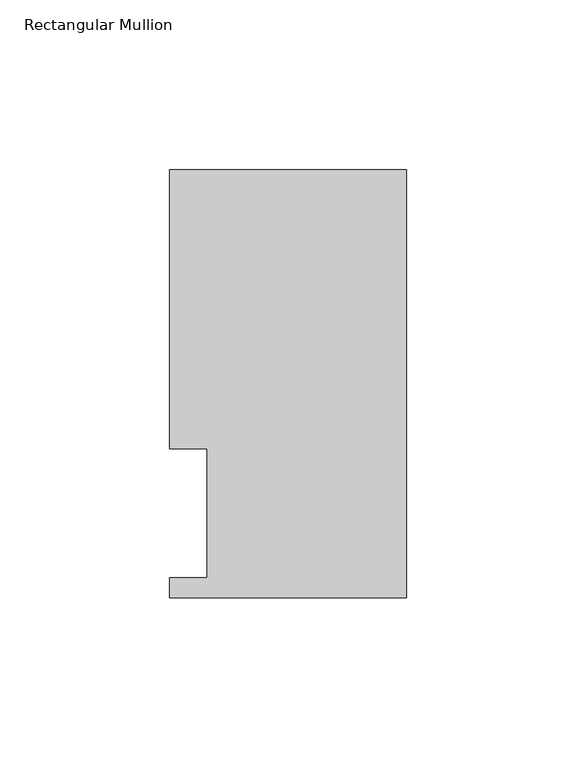
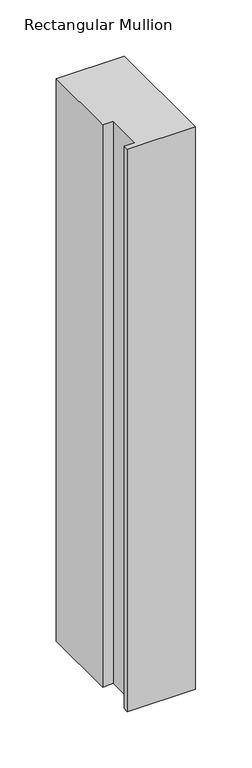
"""IFC4 building model written with IfcOpenShell, lengths in millimetres: member geometry, Rectangular Mullion."""

from ifc_helpers import new_model, si_unit, frame, origin, place, context, project, spatial, polyline, outline, extrude, source, transform, mapped, element, save


def rectangular_mullion_5c5bbb16(model_context):
    return source(origin(), model_context, "Body", "SweptSolid", [
        extrude(outline(polyline([(0.0, 126.6189003), (0.0, 0.4063003), (-69.85, 0.4063003), (-69.85, 6.3499003), (-58.7375, 6.3499003), (-58.7375, 44.45), (-69.85, 44.45), (-69.85, 126.6189003), (0.0, 126.6189003)])), frame((0.0, 0.0, -609.6), z_axis=(0.0, 0.0, 1.0), x_axis=(1.0, 0.0, 0.0)), (0.0, 0.0, 1.0), 609.6),
    ])


if __name__ == "__main__":
    model = new_model("IFC4")
    model_context = context("Model", 3, world=origin())
    ifc_project = project(units=[si_unit("LENGTHUNIT", "METRE", prefix="MILLI")], contexts=[model_context])
    site = spatial("IfcSite", under=ifc_project)
    building = spatial("IfcBuilding", under=site)
    placement = place(None, origin())
    rectangular_mullion_shape = rectangular_mullion_5c5bbb16(model_context)
    element("IfcMember", 1, ObjectType="Rectangular Mullion", at=placement, inside=building, context=model_context, shape_type="MappedRepresentation", body=[
        mapped(rectangular_mullion_shape, transform((0.0, 0.0, 0.0), x_axis=(1.0, 0.0, 0.0), y_axis=(0.0, 1.0, 0.0), z_axis=(0.0, 0.0, 1.0))),
    ])
    save(model, "model.ifc")
